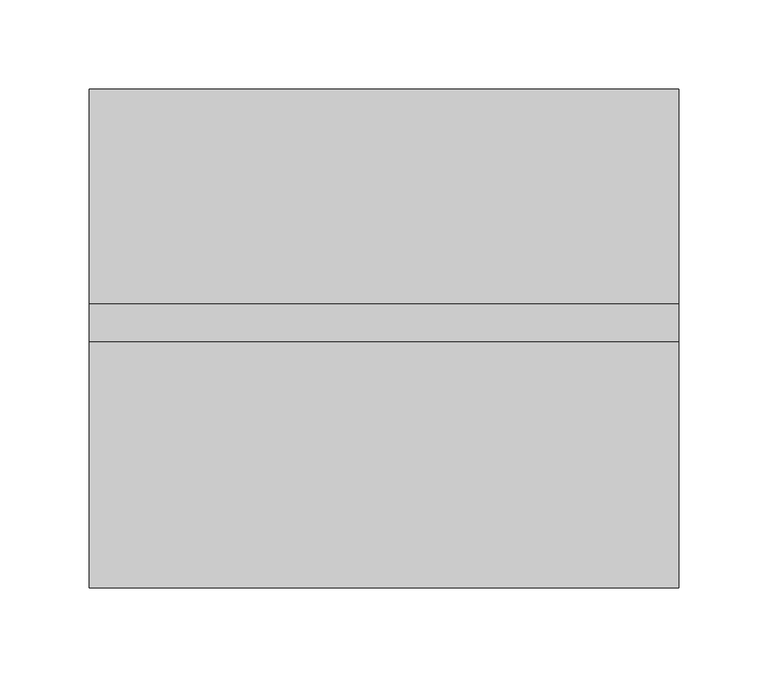
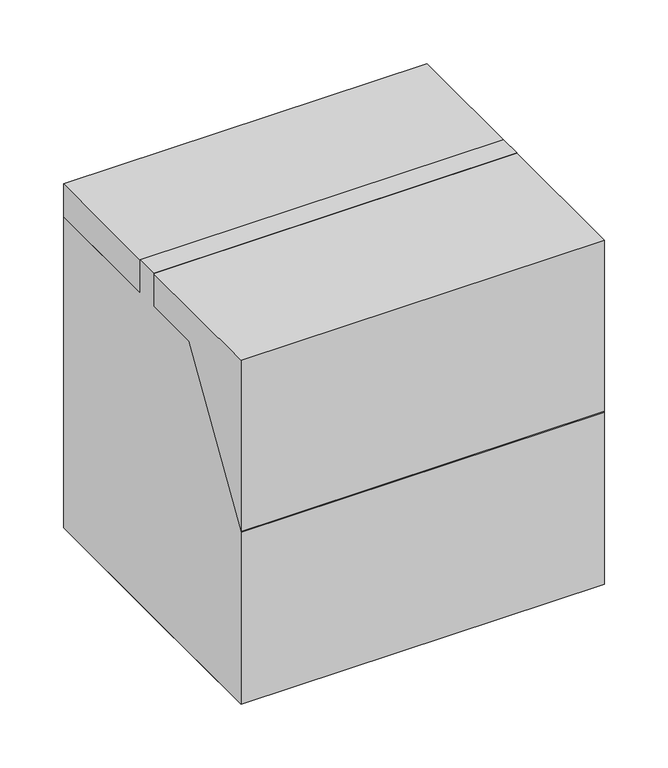
"""IFC4 building model written with IfcOpenShell, lengths in millimetres: proxy geometry."""

from ifc_helpers import new_model, si_unit, origin, origin_with_axes, place, context, project, spatial, polyline, outline, extrude, faceted_brep, source, transform, mapped, element, save


def specialty_equipment_4850f0ac(model_context):
    return source(origin(), model_context, "Body", "SolidModel", [
        faceted_brep([(165.1, 139.7, 0.0), (165.1, 139.7, 298.45), (165.1, 19.3829835, 298.45), (165.1, 19.3829835, 330.2), (165.1, -1.7923057, 330.2), (165.1, -1.7923057, 298.45), (165.1, -57.15, 298.45), (165.1, -139.7, 165.1), (165.1, -139.7, 0.0), (-165.1, 139.7, 0.0), (-165.1, -139.7, 0.0), (-165.1, -139.7, 165.1), (-165.1, -57.15, 298.45), (-165.1, -1.7923057, 298.45), (-165.1, -1.7923057, 330.2), (-165.1, 19.3829835, 330.2), (-165.1, 19.3829835, 298.45), (-165.1, 139.7, 298.45), (130.175, 19.3829835, 323.85), (-127.0, 19.3829835, 323.85), (-127.0, 19.3829835, 304.8), (130.175, 19.3829835, 304.8), (-127.0, -1.7923057, 323.85), (130.175, -1.7923057, 323.85), (130.175, -1.7923057, 304.8), (-127.0, -1.7923057, 304.8)], [[[0, 1, 2, 3, 4, 5, 6, 7, 8]], [[9, 10, 11, 12, 13, 14, 15, 16, 17]], [[1, 0, 9, 17]], [[2, 1, 17, 16]], [[3, 2, 16, 15], [18, 19, 20, 21]], [[4, 3, 15, 14]], [[5, 4, 14, 13], [22, 23, 24, 25]], [[6, 5, 13, 12]], [[7, 6, 12, 11]], [[8, 7, 11, 10]], [[0, 8, 10, 9]], [[22, 19, 18, 23]], [[19, 22, 25, 20]], [[20, 25, 24, 21]], [[23, 18, 21, 24]]]),
        extrude(outline(polyline([(-165.1, 139.7), (165.1, 139.7), (165.1, -139.7), (-165.1, -139.7), (-165.1, 0.0), (-165.1, 139.7)])), origin_with_axes(), (0.0, 0.0, 1.0), 330.2),
    ])


if __name__ == "__main__":
    model = new_model("IFC4")
    model_context = context("Model", 3, world=origin())
    ifc_project = project(units=[si_unit("LENGTHUNIT", "METRE", prefix="MILLI")], contexts=[model_context])
    site = spatial("IfcSite", under=ifc_project)
    building = spatial("IfcBuilding", under=site)
    placement = place(None, origin())
    specialty_equipment_shape = specialty_equipment_4850f0ac(model_context)
    element("IfcBuildingElementProxy", 1, Name="Specialty Equipment", at=placement, inside=building, context=model_context, shape_type="MappedRepresentation", body=[
        mapped(specialty_equipment_shape, transform((0.0, 0.0, 0.0), x_axis=(1.0, 0.0, 0.0), y_axis=(0.0, 1.0, 0.0), z_axis=(0.0, 0.0, 1.0))),
    ])
    save(model, "model.ifc")
